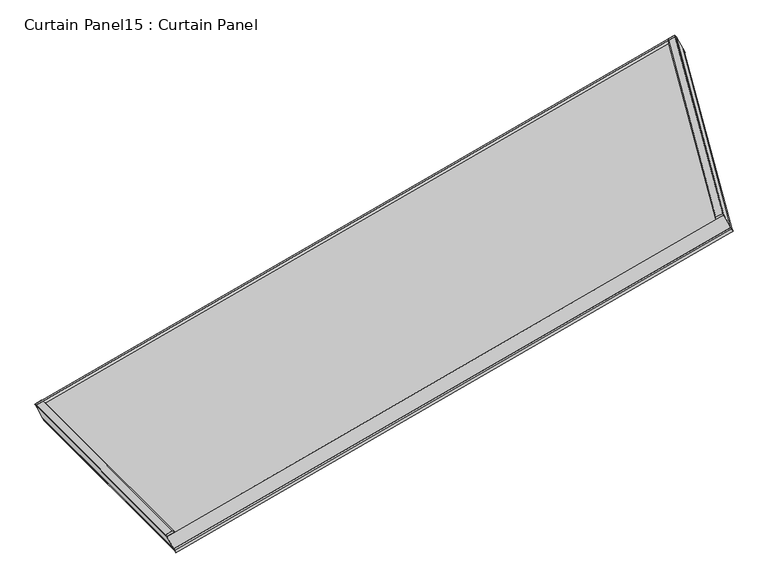
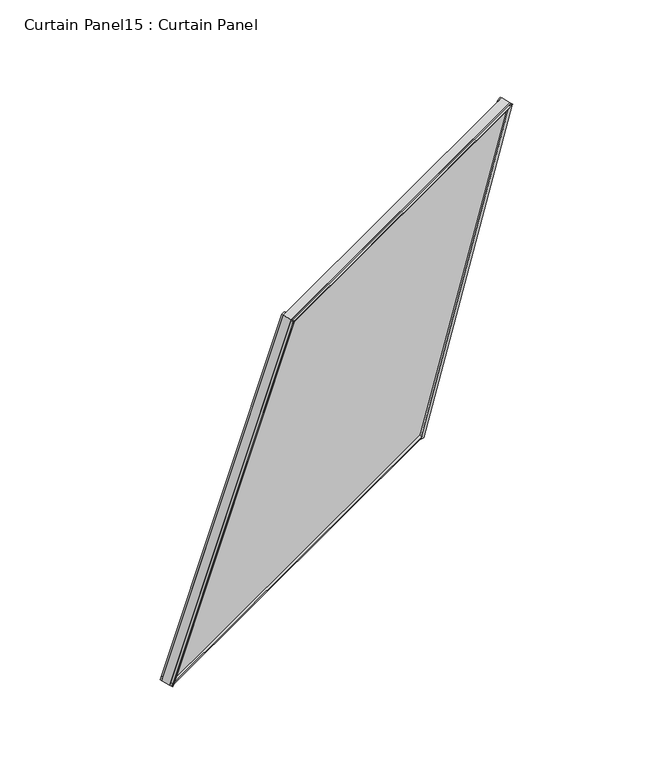
"""IFC4 building model written with IfcOpenShell, lengths in millimetres: plate geometry, Curtain Panel15 : Curtain Panel."""

from ifc_helpers import new_model, si_unit, frame, origin, place, context, project, spatial, polyline, outline, extrude, source, transform, mapped, element, save


def curtain_panel15_curtain_panel_b8efaaa5(model_context):
    return source(origin(), model_context, "Body", "SweptSolid", [
        extrude(outline(polyline([(41.5313813, 0.3142864), (36.8101562, 0.3142864), (36.8101562, 17.0993376), (41.5313812, 12.7714916), (41.5313813, 0.3142864)])), frame((-14337.0760649, -11552.5972076, 980.1683943), z_axis=(0.8660254037844368, 0.5000000000000034, 0.0), x_axis=(-0.4840501729431908, 0.8383994929501009, 0.25056280708573)), (0.0, 0.0, 1.0), 1545.7651943),
        extrude(outline(polyline([(-0.0992188, 0.3142864), (-0.0992188, 10.6521984), (6.6476562, 11.8464448), (6.6476562, 0.3142863), (-0.0992188, 0.3142864)])), frame((-14337.0760649, -11552.5972076, 980.1683943), z_axis=(0.8660254037844368, 0.5000000000000034, 0.0), x_axis=(-0.4840501729431908, 0.8383994929501009, 0.25056280708573)), (0.0, 0.0, 1.0), 1545.7651943),
        extrude(outline(polyline([(3.418279, 0.6070945), (6.6476562, 0.5787238), (6.6476563, -13.2666795), (-0.3228891, -11.3818298), (-3.1101735, -0.6016077), (3.418279, 0.6070945)])), frame((-14063.5297563, -11826.1435167, 2423.923072), z_axis=(0.8660254037844367, 0.5000000000000034, 0.0), x_axis=(-0.48405017294319097, 0.838399492950101, 0.25056280708573)), (0.0, 0.0, 1.0), 1345.5153985),
        extrude(outline(polyline([(36.8101563, -19.5847445), (36.8101562, -0.38596), (41.5540779, -0.38596), (41.5540779, -16.5031696), (36.8101563, -19.5847445)])), frame((-14337.076065, -11552.5972077, 980.1683943), z_axis=(0.18301270189222063, -0.1830127018922163, 0.9659258262890686), x_axis=(-0.484050172943191, 0.8383994929501009, 0.2505628070857299)), (0.0, 0.0, 1.0), 1494.6848282),
        extrude(outline(polyline([(0.3972261, 0.0210532), (6.6476563, 0.0210531), (6.6476563, -11.4719042), (0.3008044, -13.1145903), (-2.8794543, -0.8270142), (0.3972261, 0.0210532)])), frame((-14337.076065, -11552.5972077, 980.1683943), z_axis=(0.18301270189222063, -0.1830127018922163, 0.9659258262890686), x_axis=(-0.484050172943191, 0.8383994929501009, 0.2505628070857299)), (0.0, 0.0, 1.0), 1494.6848282),
        extrude(outline(polyline([(36.8101562, 0.3752965), (36.8101563, 19.5620507), (41.5536733, 16.5039575), (41.5536734, 0.3752965), (36.8101562, 0.3752965)])), frame((-12998.4041384, -10779.7146105, 980.1683943), z_axis=(0.06698729810777937, -0.24999999999999917, 0.9659258262890688), x_axis=(-0.48405017294319086, 0.8383994929501011, 0.25056280708573)), (0.0, 0.0, 1.0), 1494.6848282),
        extrude(outline(polyline([(0.2976563, -0.0210531), (-2.8857838, 0.8028818), (0.2963639, 13.0977562), (6.6476562, 11.4539207), (6.6476562, -0.0210531), (0.2976563, -0.0210531)])), frame((-12998.4041384, -10779.7146105, 980.1683943), z_axis=(0.06698729810777937, -0.24999999999999917, 0.9659258262890688), x_axis=(-0.48405017294319086, 0.8383994929501011, 0.25056280708573)), (0.0, 0.0, 1.0), 1494.6848282),
        extrude(outline(polyline([(-69.1681417, 0.0), (-172.7147756, -1542.2931402), (-1653.9854109, -1342.4931394), (-1563.8529699, 0.0), (-69.1681417, 0.0)])), frame((-14352.9131384, -11534.4333657, 915.327016), z_axis=(-0.48405017294319086, 0.8383994929501009, 0.25056280708573003), x_axis=(-0.1830127018922213, 0.18301270189221602, -0.9659258262890685)), (0.0, 0.0, 1.0), 30.1625),
    ])


if __name__ == "__main__":
    model = new_model("IFC4")
    model_context = context("Model", 3, world=origin())
    ifc_project = project(units=[si_unit("LENGTHUNIT", "METRE", prefix="MILLI")], contexts=[model_context])
    site = spatial("IfcSite", under=ifc_project)
    building = spatial("IfcBuilding", under=site)
    placement = place(None, origin())
    curtain_panel15_curtain_panel_shape = curtain_panel15_curtain_panel_b8efaaa5(model_context)
    element("IfcPlate", 1, ObjectType="Curtain Panel15 : Curtain Panel", at=placement, inside=building, context=model_context, shape_type="MappedRepresentation", body=[
        mapped(curtain_panel15_curtain_panel_shape, transform((0.0, 0.0, 0.0), x_axis=(1.0, 0.0, 0.0), y_axis=(0.0, 1.0, 0.0), z_axis=(0.0, 0.0, 1.0))),
    ])
    save(model, "model.ifc")
